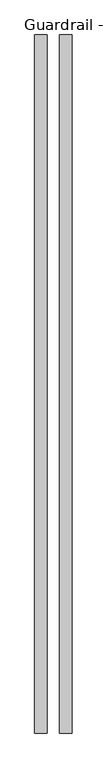
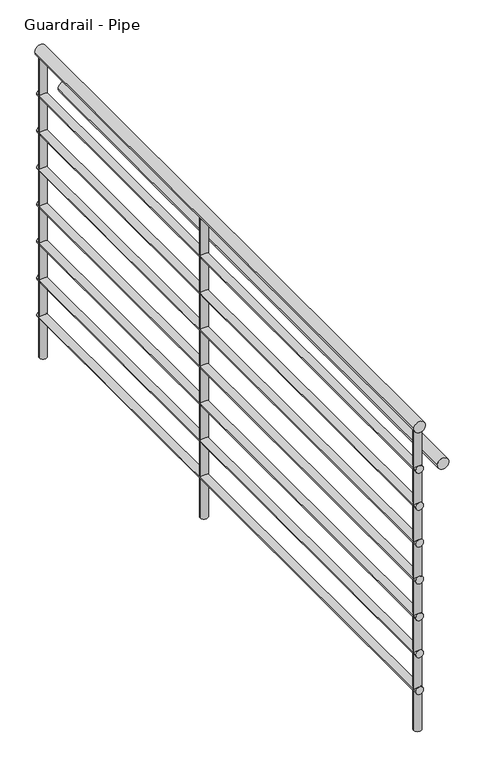
"""IFC4 building model written with IfcOpenShell, lengths in millimetres: railing geometry, Guardrail - Pipe."""

from ifc_helpers import new_model, si_unit, point, frame, frame_2d, origin, origin_with_axes, place, context, project, spatial, circle_curve, trimmed, segment, composite_curve, outline, extrude, source, transform, mapped, element, save


def guardrail_pipe_251dc1ea(model_context):
    return source(origin(), model_context, "Body", "SweptSolid", [
        extrude(outline(composite_curve([segment(trimmed(circle_curve(frame_2d((1047.75, 3477.0656418)), 19.05), [point((1047.75, 3496.1156418))], [point((1047.75, 3458.0156418))], False, "CARTESIAN"), True, "CONTINUOUS"), segment(trimmed(circle_curve(frame_2d((1047.75, 3477.0656418)), 19.05), [point((1047.75, 3458.0156418))], [point((1047.75, 3496.1156418))], False, "CARTESIAN"), True, "CONTINUOUS")], self_intersect=False)), frame((0.0, -13043.0043444, 0.0), z_axis=(0.0, 1.0, 0.0), x_axis=(0.0, 0.0, 1.0)), (0.0, 0.0, 1.0), 2140.5296781),
        extrude(outline(composite_curve([segment(trimmed(circle_curve(frame_2d((901.7, 3477.0656418)), 12.7), [point((901.7, 3489.7656418))], [point((901.7, 3464.3656418))], False, "CARTESIAN"), True, "CONTINUOUS"), segment(trimmed(circle_curve(frame_2d((901.7, 3477.0656418)), 12.7), [point((901.7, 3464.3656418))], [point((901.7, 3489.7656418))], False, "CARTESIAN"), True, "CONTINUOUS")], self_intersect=False)), frame((0.0, -13043.0043444, 0.0), z_axis=(0.0, 1.0, 0.0), x_axis=(0.0, 0.0, 1.0)), (0.0, 0.0, 1.0), 2140.5296781),
        extrude(outline(composite_curve([segment(trimmed(circle_curve(frame_2d((895.35, 3553.2656418)), 19.05), [point((895.35, 3572.3156418))], [point((895.35, 3534.2156418))], False, "CARTESIAN"), True, "CONTINUOUS"), segment(trimmed(circle_curve(frame_2d((895.35, 3553.2656418)), 19.05), [point((895.35, 3534.2156418))], [point((895.35, 3572.3156418))], False, "CARTESIAN"), True, "CONTINUOUS")], self_intersect=False)), frame((0.0, -13043.0043444, 0.0), z_axis=(0.0, 1.0, 0.0), x_axis=(0.0, 0.0, 1.0)), (0.0, 0.0, 1.0), 2140.5296781),
        extrude(outline(composite_curve([segment(trimmed(circle_curve(frame_2d((774.7, 3477.0656418)), 12.7), [point((774.7, 3489.7656418))], [point((774.7, 3464.3656418))], False, "CARTESIAN"), True, "CONTINUOUS"), segment(trimmed(circle_curve(frame_2d((774.7, 3477.0656418)), 12.7), [point((774.7, 3464.3656418))], [point((774.7, 3489.7656418))], False, "CARTESIAN"), True, "CONTINUOUS")], self_intersect=False)), frame((0.0, -13043.0043444, 0.0), z_axis=(0.0, 1.0, 0.0), x_axis=(0.0, 0.0, 1.0)), (0.0, 0.0, 1.0), 2140.5296781),
        extrude(outline(composite_curve([segment(trimmed(circle_curve(frame_2d((647.7, 3477.0656418)), 12.7), [point((647.7, 3489.7656418))], [point((647.7, 3464.3656418))], False, "CARTESIAN"), True, "CONTINUOUS"), segment(trimmed(circle_curve(frame_2d((647.7, 3477.0656418)), 12.7), [point((647.7, 3464.3656418))], [point((647.7, 3489.7656418))], False, "CARTESIAN"), True, "CONTINUOUS")], self_intersect=False)), frame((0.0, -13043.0043444, 0.0), z_axis=(0.0, 1.0, 0.0), x_axis=(0.0, 0.0, 1.0)), (0.0, 0.0, 1.0), 2140.5296781),
        extrude(outline(composite_curve([segment(trimmed(circle_curve(frame_2d((520.7, 3477.0656418)), 12.7), [point((520.7, 3489.7656418))], [point((520.7, 3464.3656418))], False, "CARTESIAN"), True, "CONTINUOUS"), segment(trimmed(circle_curve(frame_2d((520.7, 3477.0656418)), 12.7), [point((520.7, 3464.3656418))], [point((520.7, 3489.7656418))], False, "CARTESIAN"), True, "CONTINUOUS")], self_intersect=False)), frame((0.0, -13043.0043444, 0.0), z_axis=(0.0, 1.0, 0.0), x_axis=(0.0, 0.0, 1.0)), (0.0, 0.0, 1.0), 2140.5296781),
        extrude(outline(composite_curve([segment(trimmed(circle_curve(frame_2d((393.7, 3477.0656418)), 12.7), [point((393.7, 3489.7656418))], [point((393.7, 3464.3656418))], False, "CARTESIAN"), True, "CONTINUOUS"), segment(trimmed(circle_curve(frame_2d((393.7, 3477.0656418)), 12.7), [point((393.7, 3464.3656418))], [point((393.7, 3489.7656418))], False, "CARTESIAN"), True, "CONTINUOUS")], self_intersect=False)), frame((0.0, -13043.0043444, 0.0), z_axis=(0.0, 1.0, 0.0), x_axis=(0.0, 0.0, 1.0)), (0.0, 0.0, 1.0), 2140.5296781),
        extrude(outline(composite_curve([segment(trimmed(circle_curve(frame_2d((266.7, 3477.0656418)), 12.7), [point((266.7, 3489.7656418))], [point((266.7, 3464.3656418))], False, "CARTESIAN"), True, "CONTINUOUS"), segment(trimmed(circle_curve(frame_2d((266.7, 3477.0656418)), 12.7), [point((266.7, 3464.3656418))], [point((266.7, 3489.7656418))], False, "CARTESIAN"), True, "CONTINUOUS")], self_intersect=False)), frame((0.0, -13043.0043444, 0.0), z_axis=(0.0, 1.0, 0.0), x_axis=(0.0, 0.0, 1.0)), (0.0, 0.0, 1.0), 2140.5296781),
        extrude(outline(composite_curve([segment(trimmed(circle_curve(frame_2d((139.7, 3477.0656418)), 12.7), [point((139.7, 3489.7656418))], [point((139.7, 3464.3656418))], False, "CARTESIAN"), True, "CONTINUOUS"), segment(trimmed(circle_curve(frame_2d((139.7, 3477.0656418)), 12.7), [point((139.7, 3464.3656418))], [point((139.7, 3489.7656418))], False, "CARTESIAN"), True, "CONTINUOUS")], self_intersect=False)), frame((0.0, -13043.0043444, 0.0), z_axis=(0.0, 1.0, 0.0), x_axis=(0.0, 0.0, 1.0)), (0.0, 0.0, 1.0), 2140.5296781),
        extrude(outline(composite_curve([segment(trimmed(circle_curve(frame_2d((3477.0656418, -11823.8043444)), 12.7), [point((3489.7656418, -11823.8043444))], [point((3464.3656418, -11823.8043444))], False, "CARTESIAN"), True, "CONTINUOUS"), segment(trimmed(circle_curve(frame_2d((3477.0656418, -11823.8043444)), 12.7), [point((3464.3656418, -11823.8043444))], [point((3489.7656418, -11823.8043444))], False, "CARTESIAN"), True, "CONTINUOUS")], self_intersect=False)), origin_with_axes(), (0.0, 0.0, 1.0), 1028.7),
        extrude(outline(composite_curve([segment(trimmed(circle_curve(frame_2d((3477.0656418, -10915.1746663)), 12.7), [point((3489.7656418, -10915.1746663))], [point((3464.3656418, -10915.1746663))], False, "CARTESIAN"), True, "CONTINUOUS"), segment(trimmed(circle_curve(frame_2d((3477.0656418, -10915.1746663)), 12.7), [point((3464.3656418, -10915.1746663))], [point((3489.7656418, -10915.1746663))], False, "CARTESIAN"), True, "CONTINUOUS")], self_intersect=False)), origin_with_axes(), (0.0, 0.0, 1.0), 1028.7),
        extrude(outline(composite_curve([segment(trimmed(circle_curve(frame_2d((3477.0656418, -13030.3043444)), 12.7), [point((3489.7656418, -13030.3043444))], [point((3464.3656418, -13030.3043444))], False, "CARTESIAN"), True, "CONTINUOUS"), segment(trimmed(circle_curve(frame_2d((3477.0656418, -13030.3043444)), 12.7), [point((3464.3656418, -13030.3043444))], [point((3489.7656418, -13030.3043444))], False, "CARTESIAN"), True, "CONTINUOUS")], self_intersect=False)), origin_with_axes(), (0.0, 0.0, 1.0), 1028.7),
    ])


if __name__ == "__main__":
    model = new_model("IFC4")
    model_context = context("Model", 3, world=origin())
    ifc_project = project(units=[si_unit("LENGTHUNIT", "METRE", prefix="MILLI")], contexts=[model_context])
    site = spatial("IfcSite", under=ifc_project)
    building = spatial("IfcBuilding", under=site)
    placement = place(None, origin())
    guardrail_pipe_shape = guardrail_pipe_251dc1ea(model_context)
    element("IfcRailing", 1, ObjectType="Guardrail - Pipe", at=placement, inside=building, context=model_context, shape_type="MappedRepresentation", body=[
        mapped(guardrail_pipe_shape, transform((0.0, 0.0, 0.0), x_axis=(1.0, 0.0, 0.0), y_axis=(0.0, 1.0, 0.0), z_axis=(0.0, 0.0, 1.0))),
    ])
    save(model, "model.ifc")
